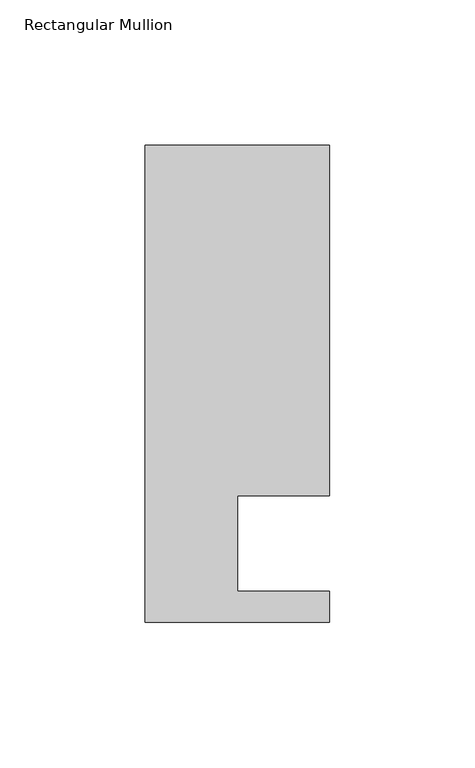
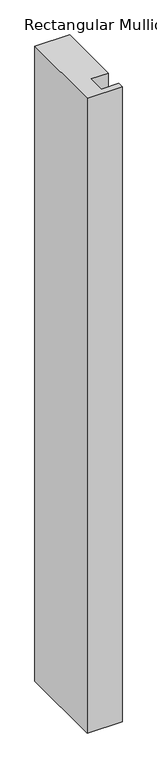
"""IFC4 building model written with IfcOpenShell, lengths in millimetres: member geometry, Rectangular Mullion."""

from ifc_helpers import new_model, si_unit, frame, origin, place, context, project, spatial, polyline, outline, extrude, source, transform, mapped, element, save


def rectangular_mullion_aa45beed(model_context):
    return source(origin(), model_context, "Body", "SweptSolid", [
        extrude(outline(polyline([(31.75, 152.4), (31.75, 31.75), (0.0, 31.75), (0.0, -1.016), (31.7691048, -1.016), (31.7691048, -11.684), (-31.75, -11.684), (-31.75, 152.4), (31.75, 152.4)])), frame((0.0, 0.0, -1219.2), z_axis=(0.0, 0.0, 1.0), x_axis=(1.0, 0.0, 0.0)), (0.0, 0.0, 1.0), 1219.2),
    ])


if __name__ == "__main__":
    model = new_model("IFC4")
    model_context = context("Model", 3, world=origin())
    ifc_project = project(units=[si_unit("LENGTHUNIT", "METRE", prefix="MILLI")], contexts=[model_context])
    site = spatial("IfcSite", under=ifc_project)
    building = spatial("IfcBuilding", under=site)
    placement = place(None, origin())
    rectangular_mullion_shape = rectangular_mullion_aa45beed(model_context)
    element("IfcMember", 1, ObjectType="Rectangular Mullion", at=placement, inside=building, context=model_context, shape_type="MappedRepresentation", body=[
        mapped(rectangular_mullion_shape, transform((0.0, 0.0, 0.0), x_axis=(1.0, 0.0, 0.0), y_axis=(0.0, 1.0, 0.0), z_axis=(0.0, 0.0, 1.0))),
    ])
    save(model, "model.ifc")
